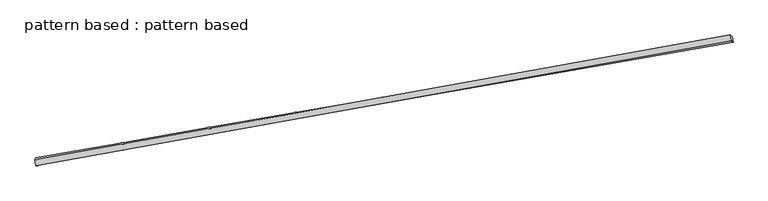
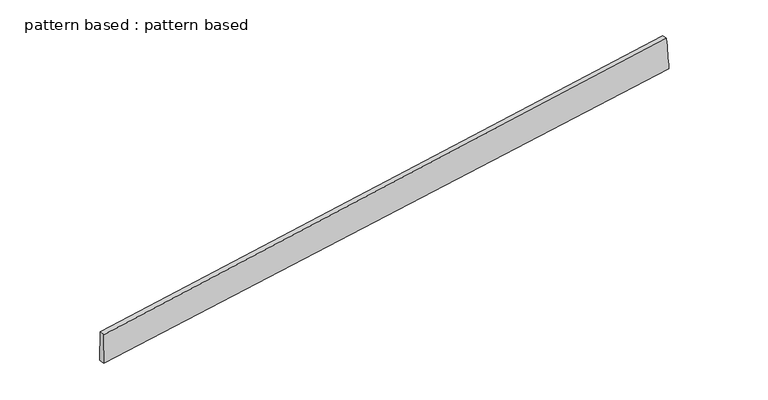
"""IFC4 building model written with IfcOpenShell, lengths in millimetres: plate geometry, pattern based : pattern based."""

from ifc_helpers import new_model, si_unit, frame, origin, place, context, project, spatial, source, transform, mapped, element, save
from ifc_brep_helpers import plane_surface, spline_surface, advanced_brep


def pattern_based_pattern_based_fd658a9f(model_context):
    return source(origin(), model_context, "Body", "AdvancedBrep", [
        advanced_brep(
        [(3384.0309902, 3384.0309902, -59.8588349), (3379.7011291, 3374.5610567, 89.7793042), (3375.3478711, 3399.1791092, 89.8044791), (3379.6777322, 3408.6490428, -59.8336599), (6354.1926087, 3908.9757077, 208.7208524), (6349.8393507, 3933.5937602, 208.7460273), (6361.4088976, 3901.8535679, 59.0639103), (6357.0556396, 3926.4716205, 59.0890853)],
        [
            (0, 1),
            (1, 2),
            (2, 3),
            (3, 0),
            (1, 4),
            (4, 5),
            (5, 2),
            (4, 6),
            (6, 7),
            (7, 5),
            (6, 0),
            (3, 7),
        ],
        [
            plane_surface(frame((3381.8660596, 3379.2960235, 14.9602347), z_axis=(-0.9839617816762812, -0.17395549665171148, -0.03948034175503894), x_axis=(-0.028865740939731453, -0.06313289006966341, 0.9975875937437535))),
            plane_surface(frame((4866.9468689, 3641.7683822, 149.2500783), z_axis=(-0.03854795533363798, -0.007838339946306096, 0.9992260082516279), x_axis=(0.9834792099022734, 0.1766976649022517, 0.03932656745880165))),
            plane_surface(frame((6357.8007531, 3905.4146378, 133.8923813), z_axis=(0.983973850822753, 0.17395795079157245, 0.03916748975157121), x_axis=(0.048108592677791516, -0.04748093165028707, -0.9977129469141829))),
            plane_surface(frame((4872.7199439, 3642.9422791, -0.3974623), z_axis=(0.03854795533363807, 0.00783833994630577, -0.9992260082516279), x_axis=(-0.9844488342786988, -0.1712143533248935, -0.03932096009572693))),
            spline_surface(1, 1, [[(3375.3478711, 3399.1791092, 89.8044791), (3379.6777322, 3408.6490428, -59.8336599)], [(6349.8393507, 3933.5937602, 208.7460273), (6357.0556396, 3926.4716205, 59.0890853)]], [2, 2], [2, 2], [0.0, 1.0], [0.0, 1.0]),
            spline_surface(1, 1, [[(6361.4088976, 3901.8535679, 59.0639103), (3384.0309902, 3384.0309902, -59.8588349)], [(6354.1926087, 3908.9757077, 208.7208524), (3379.7011291, 3374.5610567, 89.7793042)]], [2, 2], [2, 2], [0.0, 1.0], [0.0, 1.0]),
        ],
        [
            (0, [[1, 2, 3, 4]]),
            (1, [[5, 6, 7, -2]]),
            (2, [[8, 9, 10, -6]]),
            (3, [[11, -4, 12, -9]]),
            (4, [[-3, -7, -10, -12]]),
            (5, [[-11, -8, -5, -1]]),
        ],
    ),
    ])


if __name__ == "__main__":
    model = new_model("IFC4")
    model_context = context("Model", 3, world=origin())
    ifc_project = project(units=[si_unit("LENGTHUNIT", "METRE", prefix="MILLI")], contexts=[model_context])
    site = spatial("IfcSite", under=ifc_project)
    building = spatial("IfcBuilding", under=site)
    placement = place(None, origin())
    pattern_based_pattern_based_shape = pattern_based_pattern_based_fd658a9f(model_context)
    element("IfcPlate", 1, ObjectType="pattern based : pattern based", at=placement, inside=building, context=model_context, shape_type="MappedRepresentation", body=[
        mapped(pattern_based_pattern_based_shape, transform((0.0, 0.0, 0.0), x_axis=(1.0, 0.0, 0.0), y_axis=(0.0, 1.0, 0.0), z_axis=(0.0, 0.0, 1.0))),
    ])
    save(model, "model.ifc")
